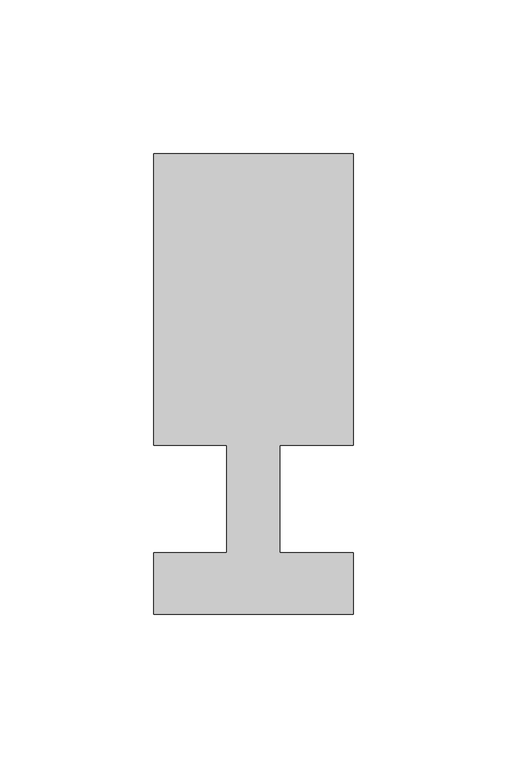
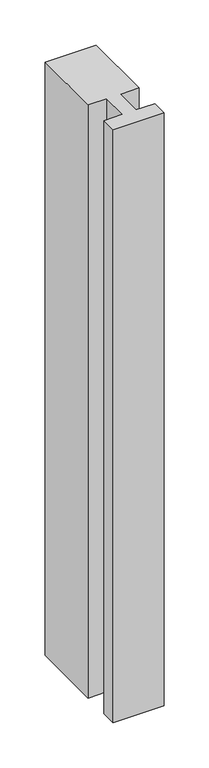
"""IFC4 building model written with IfcOpenShell, lengths in millimetres: member geometry."""

import ifcopenshell
import ifcopenshell.guid

model = None  # the IFC model being written
_history = None  # IfcOwnerHistory: only IFC2X3 demands one
_inside = {}  # id of a spatial element -> (the spatial element, [elements in it])
_under = {}  # id of a project, library or spatial element -> (it, [spatial elements below it])
_declared = {}  # id of a project -> (the project, [libraries it declares])
_typed = {}  # id of a type object -> (the type object, [elements of that type])
_made_of = {}  # id of a material, layer set ... -> (it, [elements and type objects made of it])


def new_model(schema):
    """Start an empty IFC model of exactly this schema.

    Asked for "IFC4X3", IfcOpenShell would pick the latest addendum, in which some entities
    have other attributes; the version numbers below select the first issue.
    IFC2X3 requires an IfcOwnerHistory on every rooted entity: one is made here for all.
    """
    global model, _history
    if schema == "IFC4X3":
        model = ifcopenshell.file(schema_version=(4, 3, 0, 0))
    else:
        model = ifcopenshell.file(schema=schema)
    _inside.clear()
    _under.clear()
    _declared.clear()
    _typed.clear()
    _made_of.clear()
    _history = None
    if model.schema == "IFC2X3":
        org = make("IfcOrganization", Name="unknown")
        user = make(
            "IfcPersonAndOrganization",
            ThePerson=make("IfcPerson", FamilyName="unknown"),
            TheOrganization=org,
        )
        app = make(
            "IfcApplication",
            ApplicationDeveloper=org,
            Version="unknown",
            ApplicationFullName="unknown",
            ApplicationIdentifier="unknown",
        )
        _history = make(
            "IfcOwnerHistory",
            OwningUser=user,
            OwningApplication=app,
            ChangeAction="ADDED",
            CreationDate=0,
        )
    return model


def make(cls, **values):
    """One entity of the class cls with the attributes given. An attribute that is None is left unset."""
    return model.create_entity(
        cls, **{name: value for name, value in values.items() if value is not None}
    )


def rooted(cls, **values):
    """An entity with a GlobalId (a new one), such as an element, a storey or a relation."""
    return make(cls, GlobalId=ifcopenshell.guid.new(), OwnerHistory=_history, **values)


def si_unit(unit_type, name, prefix=None):
    """IfcSIUnit, for example si_unit("LENGTHUNIT", "METRE", prefix="MILLI")."""
    return make("IfcSIUnit", UnitType=unit_type, Prefix=prefix, Name=name)


def assignment(units):
    """IfcUnitAssignment: the units of a project."""
    return None if units is None else make("IfcUnitAssignment", Units=units)


def point(xyz):
    """IfcCartesianPoint."""
    return None if xyz is None else make("IfcCartesianPoint", Coordinates=xyz)


def direction(xyz):
    """IfcDirection."""
    return None if xyz is None else make("IfcDirection", DirectionRatios=xyz)


def frame(location, z_axis=None, x_axis=None):
    """IfcAxis2Placement3D, a coordinate frame: its origin and axes. An axis left out is left unset."""
    return make(
        "IfcAxis2Placement3D",
        Location=point(location),
        Axis=direction(z_axis),
        RefDirection=direction(x_axis),
    )


def origin():
    """The frame at (0, 0, 0) with its axes left unset."""
    return frame((0.0, 0.0, 0.0))


def place(relative_to, where):
    """IfcLocalPlacement: puts the frame where relative to a parent placement (None: the world)."""
    return make(
        "IfcLocalPlacement", PlacementRelTo=relative_to, RelativePlacement=where
    )


def context(
    kind, dimensions, precision=None, world=None, true_north=None, identifier=None
):
    """IfcGeometricRepresentationContext, for example the 3D "Model" context."""
    return make(
        "IfcGeometricRepresentationContext",
        ContextIdentifier=identifier,
        ContextType=kind,
        CoordinateSpaceDimension=dimensions,
        Precision=precision,
        WorldCoordinateSystem=world,
        TrueNorth=true_north,
    )


def project(units=None, contexts=None):
    """IfcProject with its units and contexts."""
    return rooted(
        "IfcProject",
        Name="project",
        RepresentationContexts=contexts,
        UnitsInContext=assignment(units),
    )


def spatial(cls, under=None, at=None, **own):
    """A site, building, storey or space (cls), placed at a placement, below another one or the project."""
    s = rooted(cls, ObjectPlacement=at, **own)
    if under is not None:
        _under.setdefault(under.id(), (under, []))[1].append(s)
    return s


def polyline(points):
    """IfcPolyline through the points."""
    return make("IfcPolyline", Points=[point(p) for p in points])


def outline(outer, holes=None, kind="AREA"):
    """IfcArbitraryClosedProfileDef: a profile drawn as a closed curve; with holes, ...WithVoids."""
    if holes is None:
        return make("IfcArbitraryClosedProfileDef", ProfileType=kind, OuterCurve=outer)
    return make(
        "IfcArbitraryProfileDefWithVoids",
        ProfileType=kind,
        OuterCurve=outer,
        InnerCurves=holes,
    )


def extrude(swept, where, along, depth):
    """IfcExtrudedAreaSolid: the profile swept, set in the frame where, extruded along a direction by depth."""
    return make(
        "IfcExtrudedAreaSolid",
        SweptArea=swept,
        Position=where,
        ExtrudedDirection=direction(along),
        Depth=depth,
    )


def shape(context_of_items, identifier, shape_type, items):
    """IfcShapeRepresentation: the items that make up one representation, for example the "Body"."""
    return make(
        "IfcShapeRepresentation",
        ContextOfItems=context_of_items,
        RepresentationIdentifier=identifier,
        RepresentationType=shape_type,
        Items=items,
    )


def source(mapping_origin, context_of_items, identifier, shape_type, items):
    """IfcRepresentationMap: a shape defined once, which mapped items show again and again."""
    return make(
        "IfcRepresentationMap",
        MappingOrigin=mapping_origin,
        MappedRepresentation=shape(context_of_items, identifier, shape_type, items),
    )


def transform(
    local_origin,
    x_axis=None,
    y_axis=None,
    z_axis=None,
    scale=None,
    scale2=None,
    scale3=None,
    uniform=True,
):
    """IfcCartesianTransformationOperator3D, or its non-uniform kind. x_axis, y_axis, z_axis: its Axis1, 2, 3."""
    if uniform:
        return make(
            "IfcCartesianTransformationOperator3D",
            Axis1=direction(x_axis),
            Axis2=direction(y_axis),
            LocalOrigin=point(local_origin),
            Scale=scale,
            Axis3=direction(z_axis),
        )
    return make(
        "IfcCartesianTransformationOperator3DnonUniform",
        Axis1=direction(x_axis),
        Axis2=direction(y_axis),
        LocalOrigin=point(local_origin),
        Scale=scale,
        Axis3=direction(z_axis),
        Scale2=scale2,
        Scale3=scale3,
    )


def mapped(mapping_source, mapping_target):
    """IfcMappedItem: shows the shape of a source again, moved by a transform."""
    return make(
        "IfcMappedItem", MappingSource=mapping_source, MappingTarget=mapping_target
    )


def made_of(thing, what):
    """Note that an element or type object is made of a material, layer set ...; save() writes the relation."""
    if what is not None:
        _made_of.setdefault(what.id(), (what, []))[1].append(thing)
    return thing


def element(
    cls,
    number,
    at=None,
    inside=None,
    cuts=None,
    type_object=None,
    material=None,
    context=None,
    identifier="Body",
    shape_type=None,
    held_by="IfcProductDefinitionShape",
    body=None,
    shapes=None,
    **own,
):
    """One element of the class cls, such as IfcWall. Its Tag is "e" and its number.

    at: its placement. inside: the storey or other place that contains it. cuts: it is an
    opening in that element (IfcRelVoidsElement). A single representation is given by context,
    identifier, shape_type and body (its items); several are given by shapes. held_by: the class
    of the entity that holds the representations. save() writes the other relations.
    """
    e = rooted(cls, Tag="e%d" % number, ObjectPlacement=at, **own)
    if body is not None:
        shapes = [shape(context, identifier, shape_type, body)]
    if shapes is not None:
        e.Representation = make(held_by, Representations=shapes)
    if inside is not None:
        _inside.setdefault(inside.id(), (inside, []))[1].append(e)
    if cuts is not None:
        rooted(
            "IfcRelVoidsElement", RelatingBuildingElement=cuts, RelatedOpeningElement=e
        )
    if type_object is not None:
        _typed.setdefault(type_object.id(), (type_object, []))[1].append(e)
    return made_of(e, material)


def aggregate(whole, parts):
    """IfcRelAggregates: a whole, such as a stair, and the parts it consists of."""
    return rooted("IfcRelAggregates", RelatingObject=whole, RelatedObjects=parts)


def save(model, path):
    """Write the relations noted so far, then the file.

    IfcRelAggregates (storeys below a building ...), IfcRelContainedInSpatialStructure (elements
    in a storey), IfcRelDefinesByType, IfcRelAssociatesMaterial and IfcRelDeclares: one each for
    every whole, place, type object, material and project.
    """
    for whole, parts in _under.values():
        aggregate(whole, parts)
    for where, things in _inside.values():
        rooted(
            "IfcRelContainedInSpatialStructure",
            RelatedElements=things,
            RelatingStructure=where,
        )
    for kind, things in _typed.values():
        rooted("IfcRelDefinesByType", RelatedObjects=things, RelatingType=kind)
    for what, things in _made_of.values():
        rooted("IfcRelAssociatesMaterial", RelatedObjects=things, RelatingMaterial=what)
    for by, libraries in _declared.values():
        rooted("IfcRelDeclares", RelatingContext=by, RelatedDefinitions=libraries)
    model.write(path)


def member_c8a85a80(model_context):
    return source(origin(), model_context, "Body", "SweptSolid", [
        extrude(outline(polyline([(-65.0, -37.0), (-65.0, -17.0), (-41.1875, -17.0), (-41.1875, 18.0), (-65.0, 18.0), (-65.0, 113.0), (0.0, 113.0), (0.0, 18.0), (-23.8125, 18.0), (-23.8125, -17.0), (0.0, -17.0), (0.0, -37.0), (-65.0, -37.0)])), frame((0.0, 0.0, -800.0), z_axis=(0.0, 0.0, 1.0), x_axis=(1.0, 0.0, 0.0)), (0.0, 0.0, 1.0), 800.0),
    ])


if __name__ == "__main__":
    model = new_model("IFC4")
    model_context = context("Model", 3, world=origin())
    ifc_project = project(units=[si_unit("LENGTHUNIT", "METRE", prefix="MILLI")], contexts=[model_context])
    site = spatial("IfcSite", under=ifc_project)
    building = spatial("IfcBuilding", under=site)
    placement = place(None, origin())
    member_shape = member_c8a85a80(model_context)
    element("IfcMember", 1, at=placement, inside=building, context=model_context, shape_type="MappedRepresentation", body=[
        mapped(member_shape, transform((0.0, 0.0, 0.0), x_axis=(1.0, 0.0, 0.0), y_axis=(0.0, 1.0, 0.0), z_axis=(0.0, 0.0, 1.0))),
    ])
    save(model, "model.ifc")
